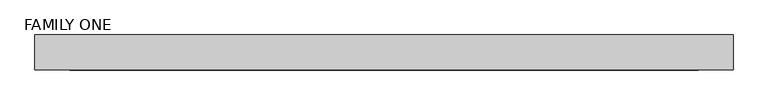
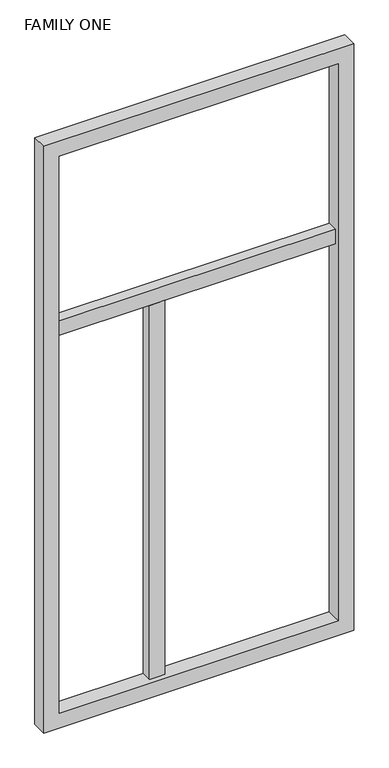
"""IFC4 building model written with IfcOpenShell, lengths in millimetres: proxy geometry, FAMILY ONE."""

from ifc_helpers import new_model, si_unit, frame, origin, place, context, project, spatial, polyline, outline, extrude, source, transform, mapped, element, save


def family_one_fadd0239(model_context):
    return source(origin(), model_context, "Body", "SweptSolid", [
        extrude(outline(polyline([(533.4, 76.2), (609.6, 76.2), (609.6, 25.4), (533.4, 25.4), (533.4, 76.2)])), frame((0.0, 0.0, 76.2), z_axis=(0.0, 0.0, 1.0), x_axis=(1.0, 0.0, 0.0)), (0.0, 0.0, 1.0), 1943.1),
        extrude(outline(polyline([(76.2, 76.2), (1447.8, 76.2), (1447.8, 25.4), (76.2, 25.4), (76.2, 76.2)])), frame((0.0, 0.0, 2019.3), z_axis=(0.0, 0.0, 1.0), x_axis=(1.0, 0.0, 0.0)), (0.0, 0.0, 1.0), 76.2),
        extrude(outline(polyline([(0.0, 0.0), (0.0, 1524.0), (3048.0, 1524.0), (3048.0, 0.0), (0.0, 0.0)]), holes=[polyline([(76.2, 76.2), (2971.8, 76.2), (2971.8, 1447.8), (76.2, 1447.8), (76.2, 76.2)])]), frame((0.0, 0.0, 0.0), z_axis=(0.0, 1.0, 0.0), x_axis=(0.0, 0.0, 1.0)), (0.0, 0.0, 1.0), 76.2),
    ])


if __name__ == "__main__":
    model = new_model("IFC4")
    model_context = context("Model", 3, world=origin())
    ifc_project = project(units=[si_unit("LENGTHUNIT", "METRE", prefix="MILLI")], contexts=[model_context])
    site = spatial("IfcSite", under=ifc_project)
    building = spatial("IfcBuilding", under=site)
    placement = place(None, origin())
    family_one_shape = family_one_fadd0239(model_context)
    element("IfcBuildingElementProxy", 1, Name="FAMILY ONE", ObjectType="FAMILY ONE", at=placement, inside=building, context=model_context, shape_type="MappedRepresentation", body=[
        mapped(family_one_shape, transform((0.0, 0.0, 0.0), x_axis=(1.0, 0.0, 0.0), y_axis=(0.0, 1.0, 0.0), z_axis=(0.0, 0.0, 1.0))),
    ])
    save(model, "model.ifc")
